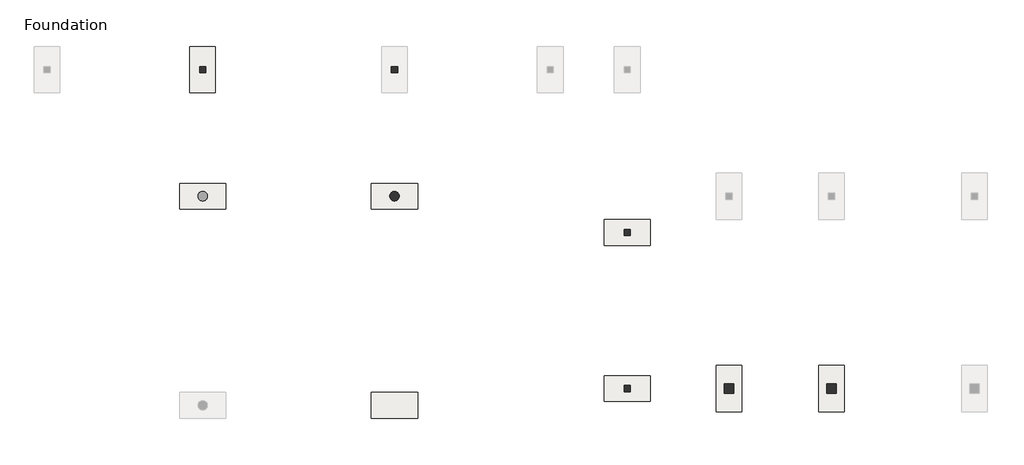
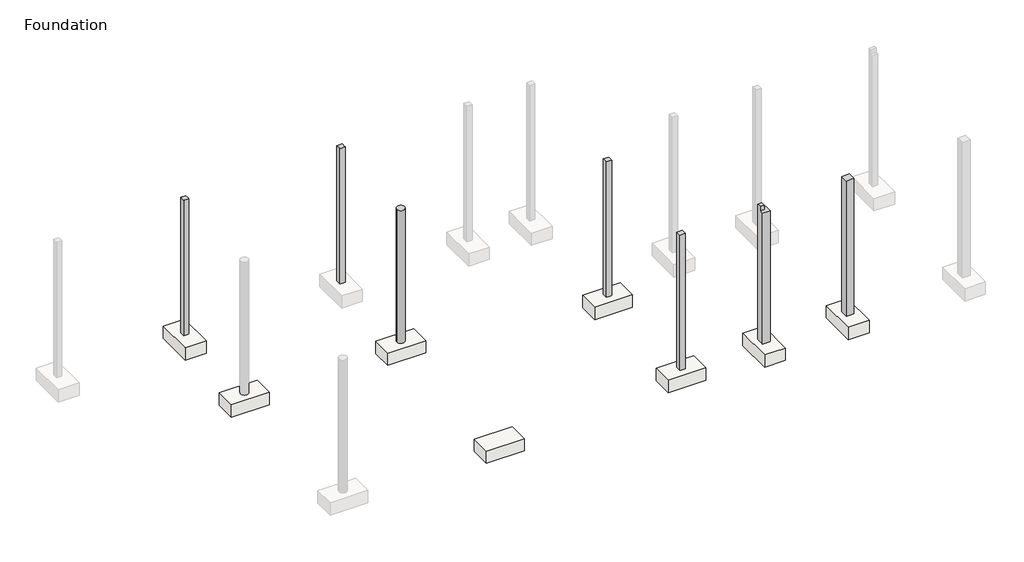
# One storey, part 7 of 10: 8 slabs, 7 columns.
"""IFC4 building model written with IfcOpenShell, lengths in millimetres."""

from ifc_helpers import new_model, si_unit, point, frame, frame_2d, origin, place, context, project, spatial, polyline, circle_curve, trimmed, segment, composite_curve, outline, extrude, faceted_brep, element, save
from ifc_brep_helpers import plane_surface, revolved_surface, advanced_brep

model = new_model("IFC4")

# Units and contexts
model_context = context("Model", 3, world=origin())
ifc_project = project(units=[si_unit("LENGTHUNIT", "METRE", prefix="MILLI")], contexts=[model_context])

# Site, building, storey
site = spatial("IfcSite", under=ifc_project)
building = spatial("IfcBuilding", under=site)
storey = spatial("IfcBuildingStorey", under=building, Name="Foundation", Elevation=-1600.0)

# Columns
placement = place(None, origin())
element("IfcColumn", 1, ObjectType="Concrete Round : 300 mm", at=placement, inside=storey, context=model_context, shape_type="SweptSolid", body=[
    extrude(outline(composite_curve([segment(trimmed(circle_curve(frame_2d((-15307.5749186, -6089.7248986)), 150.0), [point((-15457.5749186, -6089.7248986))], [point((-15157.5749186, -6089.7248986))], False, "CARTESIAN"), True, "CONTINUOUS"), segment(trimmed(circle_curve(frame_2d((-15307.5749186, -6089.7248986)), 150.0), [point((-15157.5749186, -6089.7248986))], [point((-15457.5749186, -6089.7248986))], False, "CARTESIAN"), True, "CONTINUOUS")], self_intersect=False)), frame((0.0, 0.0, -1600.0), z_axis=(0.0, 0.0, 1.0), x_axis=(1.0, 0.0, 0.0)), (0.0, 0.0, 1.0), 5394.6349541),
])
element("IfcColumn", 2, ObjectType="Concrete-Rectangular-Column : C 20/20", at=placement, inside=storey, context=model_context, shape_type="Brep", body=[
    faceted_brep([(-7925.0749186, -12019.7248986, -1600.0), (-7925.0749186, -12219.7248986, -1600.0), (-8125.0749186, -12219.7248986, -1600.0), (-8125.0749186, -12019.7248986, -1600.0), (-7925.0749186, -12219.7248986, 3900.0), (-8125.0749186, -12219.7248986, 3900.0), (-8125.0749186, -12219.7248986, 3400.0), (-8125.0749186, -12219.7248986, -100.0), (-8125.0749186, -12219.7248986, -550.0), (-7925.0749186, -12219.7248986, -550.0), (-7925.0749186, -12219.7248986, -100.0), (-7925.0749186, -12219.7248986, 3400.0), (-7925.0749186, -12019.7248986, 3900.0), (-7925.0749186, -12019.7248986, -550.0), (-7925.0749186, -12019.7248986, -100.0), (-7925.0749186, -12019.7248986, 3400.0), (-8125.0749186, -12019.7248986, 3900.0), (-8125.0749186, -12019.7248986, 3400.0), (-8125.0749186, -12019.7248986, -100.0), (-8125.0749186, -12019.7248986, -550.0)], [[[0, 1, 2, 3]], [[4, 5, 6, 7, 8, 2, 1, 9, 10, 11]], [[12, 4, 11, 10, 9, 1, 0, 13, 14, 15]], [[5, 16, 17, 18, 19, 3, 2, 8, 7, 6]], [[16, 12, 15, 14, 13, 0, 3, 19, 18, 17]], [[12, 16, 5, 4]]]),
])
element("IfcColumn", 3, ObjectType="Concrete-Rectangular-Column : C 20/20", at=placement, inside=storey, context=model_context, shape_type="Brep", body=[
    faceted_brep([(-7925.0749186, -7125.9748986, -1600.0), (-7925.0749186, -7325.9748986, -1600.0), (-8125.0749186, -7325.9748986, -1600.0), (-8125.0749186, -7125.9748986, -1600.0), (-7925.0749186, -7325.9748986, 3900.0), (-8125.0749186, -7325.9748986, 3900.0), (-8125.0749186, -7325.9748986, 3400.0), (-8125.0749186, -7325.9748986, -100.0), (-8125.0749186, -7325.9748986, -550.0), (-7925.0749186, -7325.9748986, -550.0), (-7925.0749186, -7325.9748986, -100.0), (-7925.0749186, -7325.9748986, 3400.0), (-7925.0749186, -7125.9748986, 3900.0), (-7925.0749186, -7125.9748986, -550.0), (-7925.0749186, -7125.9748986, -100.0), (-7925.0749186, -7125.9748986, 3400.0), (-8125.0749186, -7125.9748986, 3900.0), (-8125.0749186, -7125.9748986, 3400.0), (-8125.0749186, -7125.9748986, -100.0), (-8125.0749186, -7125.9748986, -550.0)], [[[0, 1, 2, 3]], [[4, 5, 6, 7, 8, 2, 1, 9, 10, 11]], [[12, 4, 11, 10, 9, 1, 0, 13, 14, 15]], [[5, 16, 17, 18, 19, 3, 2, 8, 7, 6]], [[16, 12, 15, 14, 13, 0, 3, 19, 18, 17]], [[12, 16, 5, 4]]]),
])
element("IfcColumn", 4, ObjectType="Concrete-Rectangular-Column : C 20/20", at=placement, inside=storey, context=model_context, shape_type="Brep", body=[
    faceted_brep([(-15207.5749186, -2024.7248986, -1600.0), (-15207.5749186, -2224.7248986, -1600.0), (-15407.5749186, -2224.7248986, -1600.0), (-15407.5749186, -2024.7248986, -1600.0), (-15207.5749186, -2224.7248986, 3900.0), (-15407.5749186, -2224.7248986, 3900.0), (-15407.5749186, -2224.7248986, 3250.0), (-15407.5749186, -2224.7248986, -100.0), (-15407.5749186, -2224.7248986, -550.0), (-15207.5749186, -2224.7248986, -550.0), (-15207.5749186, -2224.7248986, -100.0), (-15207.5749186, -2224.7248986, 3250.0), (-15207.5749186, -2024.7248986, 3900.0), (-15207.5749186, -2174.7248986, 3900.0), (-15207.5749186, -2024.7248986, -550.0), (-15207.5749186, -2024.7248986, -100.0), (-15207.5749186, -2024.7248986, 3400.0), (-15407.5749186, -2174.7248986, 3900.0), (-15407.5749186, -2024.7248986, 3900.0), (-15407.5749186, -2024.7248986, 3400.0), (-15407.5749186, -2024.7248986, -100.0), (-15407.5749186, -2024.7248986, -550.0)], [[[0, 1, 2, 3]], [[4, 5, 6, 7, 8, 2, 1, 9, 10, 11]], [[12, 13, 4, 11, 10, 9, 1, 0, 14, 15, 16]], [[5, 17, 18, 19, 20, 21, 3, 2, 8, 7, 6]], [[18, 12, 16, 15, 14, 0, 3, 21, 20, 19]], [[12, 18, 17, 5, 4, 13]]]),
])
element("IfcColumn", 5, ObjectType="Concrete-Rectangular-Column : C 20/20", at=placement, inside=storey, context=model_context, shape_type="Brep", body=[
    faceted_brep([(-21207.5749186, -2024.7248986, -1600.0), (-21207.5749186, -2224.7248986, -1600.0), (-21407.5749186, -2224.7248986, -1600.0), (-21407.5749186, -2024.7248986, -1600.0), (-21207.5749186, -2224.7248986, 3900.0), (-21407.5749186, -2224.7248986, 3900.0), (-21407.5749186, -2224.7248986, 3250.0), (-21407.5749186, -2224.7248986, -100.0), (-21407.5749186, -2224.7248986, -550.0), (-21207.5749186, -2224.7248986, -550.0), (-21207.5749186, -2224.7248986, -100.0), (-21207.5749186, -2224.7248986, 3250.0), (-21207.5749186, -2024.7248986, 3900.0), (-21207.5749186, -2174.7248986, 3900.0), (-21207.5749186, -2024.7248986, -550.0), (-21207.5749186, -2024.7248986, -100.0), (-21207.5749186, -2024.7248986, 3400.0), (-21407.5749186, -2174.7248986, 3900.0), (-21407.5749186, -2024.7248986, 3900.0), (-21407.5749186, -2024.7248986, 3400.0), (-21407.5749186, -2024.7248986, -100.0), (-21407.5749186, -2024.7248986, -550.0)], [[[0, 1, 2, 3]], [[4, 5, 6, 7, 8, 2, 1, 9, 10, 11]], [[12, 13, 4, 11, 10, 9, 1, 0, 14, 15, 16]], [[5, 17, 18, 19, 20, 21, 3, 2, 8, 7, 6]], [[18, 12, 16, 15, 14, 0, 3, 21, 20, 19]], [[12, 18, 17, 5, 4, 13]]]),
])
element("IfcColumn", 6, ObjectType="Concrete-Rectangular-Column : C 30/30", at=placement, inside=storey, context=model_context, shape_type="Brep", body=[
    faceted_brep([(-1777.5749186, -11969.7248986, -1600.0), (-1477.5749186, -11969.7248986, -1600.0), (-1477.5749186, -12269.7248986, -1600.0), (-1777.5749186, -12269.7248986, -1600.0), (-1777.5749186, -12269.7248986, 3900.0), (-1777.5749186, -12269.7248986, 3720.0), (-1777.5749186, -12269.7248986, -100.0), (-1777.5749186, -12269.7248986, -550.0), (-1477.5749186, -12269.7248986, -550.0), (-1477.5749186, -12269.7248986, -100.0), (-1477.5749186, -12269.7248986, 3720.0), (-1477.5749186, -12269.7248986, 3900.0), (-1527.5749186, -12269.7248986, 3900.0), (-1727.5749186, -12269.7248986, 3900.0), (-1777.5749186, -11969.7248986, 3900.0), (-1777.5749186, -11969.7248986, 3720.0), (-1777.5749186, -11969.7248986, -100.0), (-1777.5749186, -11969.7248986, -550.0), (-1777.5749186, -12219.7248986, 3900.0), (-1777.5749186, -12019.7248986, 3900.0), (-1477.5749186, -11969.7248986, -550.0), (-1477.5749186, -11969.7248986, -100.0), (-1477.5749186, -11969.7248986, 3720.0), (-1477.5749186, -11969.7248986, 3900.0), (-1477.5749186, -12019.7248986, 3900.0), (-1477.5749186, -12219.7248986, 3900.0), (-1727.5749186, -11969.7248986, 3900.0), (-1527.5749186, -11969.7248986, 3900.0)], [[[0, 1, 2, 3]], [[4, 5, 6, 7, 3, 2, 8, 9, 10, 11, 12, 13]], [[14, 15, 16, 17, 0, 3, 7, 6, 5, 4, 18, 19]], [[11, 10, 9, 8, 2, 1, 20, 21, 22, 23, 24, 25]], [[23, 22, 21, 20, 1, 0, 17, 16, 15, 14, 26, 27]], [[14, 19, 18, 4, 13, 12, 11, 25, 24, 23, 27, 26]]]),
])
element("IfcColumn", 7, ObjectType="Concrete-Rectangular-Column : C 30/30", at=placement, inside=storey, context=model_context, shape_type="Brep", body=[
    faceted_brep([(-4987.5749186, -12269.7248986, -1600.0), (-4987.5749186, -11969.7248986, -1600.0), (-4687.5749186, -11969.7248986, -1600.0), (-4687.5749186, -12269.7248986, -1600.0), (-4687.5749186, -12269.7248986, -550.0), (-4687.5749186, -12269.7248986, -100.0), (-4687.5749186, -12269.7248986, 3720.0), (-4987.5749186, -12269.7248986, 3720.0), (-4987.5749186, -12269.7248986, -100.0), (-4987.5749186, -12269.7248986, -550.0), (-4987.5749186, -12119.7248986, 3720.0), (-4987.5749186, -12119.7248986, 3900.0), (-4987.5749186, -12019.7248986, 3900.0), (-4987.5749186, -11969.7248986, 3900.0), (-4987.5749186, -11969.7248986, -100.0), (-4987.5749186, -11969.7248986, -550.0), (-4687.5749186, -11969.7248986, -550.0), (-4687.5749186, -11969.7248986, -100.0), (-4687.5749186, -11969.7248986, 3720.0), (-4837.5749186, -11969.7248986, 3900.0), (-4837.5749186, -11969.7248986, 3720.0), (-4837.5749186, -12119.7248986, 3900.0), (-4837.5749186, -12119.7248986, 3720.0)], [[[0, 1, 2, 3]], [[0, 3, 4, 5, 6, 7, 8, 9]], [[1, 0, 9, 8, 7, 10, 11, 12, 13, 14, 15]], [[3, 2, 16, 17, 18, 6, 5, 4]], [[2, 1, 15, 14, 13, 19, 20, 18, 17, 16]], [[19, 13, 12, 11, 21]], [[20, 22, 10, 7, 6, 18]], [[22, 20, 19, 21]], [[10, 22, 21, 11]]]),
])

# Slabs
element("IfcSlab", 8, ObjectType="Pile Cap for 2 Piles : Type 1", at=placement, inside=storey, context=model_context, shape_type="AdvancedBrep", body=[
    advanced_brep(
    [(-16032.5749186, -12239.7248986, -1600.0), (-16032.5749186, -13039.7248986, -1600.0), (-14582.5749186, -13039.7248986, -1600.0), (-14582.5749186, -12239.7248986, -1600.0), (-16032.5749186, -12239.7248986, -2100.0), (-14582.5749186, -12239.7248986, -2100.0), (-14582.5749186, -13039.7248986, -2100.0), (-16032.5749186, -13039.7248986, -2100.0), (-15707.5749186, -12773.058232, -2100.0), (-15707.5749186, -12506.3915653, -2100.0), (-14907.5749186, -12773.058232, -2100.0), (-14907.5749186, -12506.3915653, -2100.0), (-14907.5749186, -12773.058232, -2050.0), (-14907.5749186, -12506.3915653, -2050.0), (-15707.5749186, -12773.058232, -2050.0), (-15707.5749186, -12506.3915653, -2050.0)],
    [
        (0, 1),
        (1, 2),
        (2, 3),
        (3, 0),
        (4, 5),
        (5, 6),
        (6, 7),
        (7, 4),
        (8, 9, circle_curve(frame((-15707.5749186, -12639.7248986, -2100.0), z_axis=(0.0, 0.0, 1.0), x_axis=(0.0, 1.0, 0.0)), 133.3333333)),
        (9, 8, circle_curve(frame((-15707.5749186, -12639.7248986, -2100.0), z_axis=(0.0, 0.0, 1.0), x_axis=(0.0, 1.0, 0.0)), 133.3333333)),
        (10, 11, circle_curve(frame((-14907.5749186, -12639.7248986, -2100.0), z_axis=(0.0, 0.0, 1.0), x_axis=(0.0, 1.0, 0.0)), 133.3333333)),
        (11, 10, circle_curve(frame((-14907.5749186, -12639.7248986, -2100.0), z_axis=(0.0, 0.0, 1.0), x_axis=(0.0, 1.0, 0.0)), 133.3333333)),
        (0, 4),
        (7, 1),
        (6, 2),
        (5, 3),
        (12, 13, circle_curve(frame((-14907.5749186, -12639.7248986, -2050.0), z_axis=(0.0, 0.0, -1.0), x_axis=(0.0, 1.0, 0.0)), 133.3333333)),
        (13, 12, circle_curve(frame((-14907.5749186, -12639.7248986, -2050.0), z_axis=(0.0, 0.0, -1.0), x_axis=(0.0, 1.0, 0.0)), 133.3333333)),
        (8, 14),
        (14, 15, circle_curve(frame((-15707.5749186, -12639.7248986, -2050.0), z_axis=(0.0, 0.0, 1.0), x_axis=(0.0, 1.0, 0.0)), 133.3333333)),
        (15, 9),
        (15, 14, circle_curve(frame((-15707.5749186, -12639.7248986, -2050.0), z_axis=(0.0, 0.0, 1.0), x_axis=(0.0, 1.0, 0.0)), 133.3333333)),
        (10, 12),
        (13, 11),
    ],
    [
        plane_surface(frame((-16032.5749186, -13039.7248986, -1600.0), z_axis=(0.0, 0.0, 1.0), x_axis=(0.0, -1.0, 0.0))),
        plane_surface(frame((-16032.5749186, -13039.7248986, -2100.0), z_axis=(0.0, 0.0, -1.0), x_axis=(0.0, 1.0, 0.0))),
        plane_surface(frame((-16032.5749186, -12239.7248986, -1600.0), z_axis=(-1.0, 0.0, 0.0), x_axis=(0.0, 0.0, -1.0))),
        plane_surface(frame((-16032.5749186, -13039.7248986, -1600.0), z_axis=(0.0, -1.0, 0.0), x_axis=(0.0, 0.0, -1.0))),
        plane_surface(frame((-14582.5749186, -13039.7248986, -1600.0), z_axis=(1.0, 0.0, 0.0), x_axis=(0.0, 0.0, -1.0))),
        plane_surface(frame((-14582.5749186, -12239.7248986, -1600.0), z_axis=(0.0, 1.0, 0.0), x_axis=(0.0, 0.0, -1.0))),
        plane_surface(frame((-15707.5749186, -12506.3915653, -2050.0), z_axis=(0.0, 0.0, -1.0), x_axis=(-1.0, 0.0, 0.0))),
        revolved_surface(polyline([(-15707.5749186, -12506.3915653, -2050.0), (-15707.5749186, -12506.3915653, -2100.0)]), (-15707.5749186, -12639.7248986, -2100.0), (0.0, 0.0, 1.0)),
        revolved_surface(polyline([(-14907.5749186, -12506.3915653, -2050.0), (-14907.5749186, -12506.3915653, -2100.0)]), (-14907.5749186, -12639.7248986, -1600.0), (0.0, 0.0, 1.0)),
    ],
    [
        (0, [[1, 2, 3, 4]]),
        (1, [[5, 6, 7, 8], [9, 10], [11, 12]]),
        (2, [[-1, 13, -8, 14]]),
        (3, [[-2, -14, -7, 15]]),
        (4, [[-3, -15, -6, 16]]),
        (5, [[-4, -16, -5, -13]]),
        (6, [[17, 18]]),
        (7, [[-9, 19, 20, 21]]),
        (7, [[-10, -21, 22, -19]]),
        (8, [[-11, 23, -18, 24]]),
        (8, [[-12, -24, -17, -23]]),
        (6, [[-22, -20]]),
    ],
),
])
element("IfcSlab", 9, ObjectType="Pile Cap for 2 Piles : Type 1", at=placement, inside=storey, context=model_context, shape_type="AdvancedBrep", body=[
    advanced_brep(
    [(-21707.5749186, -2849.7248986, -1600.0), (-20907.5749186, -2849.7248986, -1600.0), (-20907.5749186, -1399.7248986, -1600.0), (-21707.5749186, -1399.7248986, -1600.0), (-21707.5749186, -2849.7248986, -2100.0), (-21707.5749186, -1399.7248986, -2100.0), (-20907.5749186, -1399.7248986, -2100.0), (-20907.5749186, -2849.7248986, -2100.0), (-21174.2415852, -2524.7248986, -2100.0), (-21440.9082519, -2524.7248986, -2100.0), (-21174.2415852, -1724.7248986, -2100.0), (-21440.9082519, -1724.7248986, -2100.0), (-21174.2415852, -1724.7248986, -2050.0), (-21440.9082519, -1724.7248986, -2050.0), (-21174.2415852, -2524.7248986, -2050.0), (-21440.9082519, -2524.7248986, -2050.0)],
    [
        (0, 1),
        (1, 2),
        (2, 3),
        (3, 0),
        (4, 5),
        (5, 6),
        (6, 7),
        (7, 4),
        (8, 9, circle_curve(frame((-21307.5749186, -2524.7248986, -2100.0), z_axis=(0.0, 0.0, 1.0), x_axis=(-1.0, 0.0, 0.0)), 133.3333333)),
        (9, 8, circle_curve(frame((-21307.5749186, -2524.7248986, -2100.0), z_axis=(0.0, 0.0, 1.0), x_axis=(-1.0, 0.0, 0.0)), 133.3333333)),
        (10, 11, circle_curve(frame((-21307.5749186, -1724.7248986, -2100.0), z_axis=(0.0, 0.0, 1.0), x_axis=(-1.0, 0.0, 0.0)), 133.3333333)),
        (11, 10, circle_curve(frame((-21307.5749186, -1724.7248986, -2100.0), z_axis=(0.0, 0.0, 1.0), x_axis=(-1.0, 0.0, 0.0)), 133.3333333)),
        (0, 4),
        (7, 1),
        (6, 2),
        (5, 3),
        (12, 13, circle_curve(frame((-21307.5749186, -1724.7248986, -2050.0), z_axis=(0.0, 0.0, -1.0), x_axis=(-1.0, 0.0, 0.0)), 133.3333333)),
        (13, 12, circle_curve(frame((-21307.5749186, -1724.7248986, -2050.0), z_axis=(0.0, 0.0, -1.0), x_axis=(-1.0, 0.0, 0.0)), 133.3333333)),
        (8, 14),
        (14, 15, circle_curve(frame((-21307.5749186, -2524.7248986, -2050.0), z_axis=(0.0, 0.0, 1.0), x_axis=(-1.0, 0.0, 0.0)), 133.3333333)),
        (15, 9),
        (15, 14, circle_curve(frame((-21307.5749186, -2524.7248986, -2050.0), z_axis=(0.0, 0.0, 1.0), x_axis=(-1.0, 0.0, 0.0)), 133.3333333)),
        (10, 12),
        (13, 11),
    ],
    [
        plane_surface(frame((-20907.5749186, -2849.7248986, -1600.0), z_axis=(0.0, 0.0, 1.0), x_axis=(1.0, 0.0, 0.0))),
        plane_surface(frame((-20907.5749186, -2849.7248986, -2100.0), z_axis=(0.0, 0.0, -1.0), x_axis=(-1.0, 0.0, 0.0))),
        plane_surface(frame((-21707.5749186, -2849.7248986, -1600.0), z_axis=(0.0, -1.0, 0.0), x_axis=(0.0, 0.0, -1.0))),
        plane_surface(frame((-20907.5749186, -2849.7248986, -1600.0), z_axis=(1.0, 0.0, 0.0), x_axis=(0.0, 0.0, -1.0))),
        plane_surface(frame((-20907.5749186, -1399.7248986, -1600.0), z_axis=(0.0, 1.0, 0.0), x_axis=(0.0, 0.0, -1.0))),
        plane_surface(frame((-21707.5749186, -1399.7248986, -1600.0), z_axis=(-1.0, 0.0, 0.0), x_axis=(0.0, 0.0, -1.0))),
        plane_surface(frame((-21440.9082519, -2524.7248986, -2050.0), z_axis=(0.0, 0.0, -1.0), x_axis=(0.0, -1.0, 0.0))),
        revolved_surface(polyline([(-21440.9082519, -2524.7248986, -2050.0), (-21440.9082519, -2524.7248986, -2100.0)]), (-21307.5749186, -2524.7248986, -2100.0), (0.0, 0.0, 1.0)),
        revolved_surface(polyline([(-21440.9082519, -1724.7248986, -2050.0), (-21440.9082519, -1724.7248986, -2100.0)]), (-21307.5749186, -1724.7248986, -1600.0), (0.0, 0.0, 1.0)),
    ],
    [
        (0, [[1, 2, 3, 4]]),
        (1, [[5, 6, 7, 8], [9, 10], [11, 12]]),
        (2, [[-1, 13, -8, 14]]),
        (3, [[-2, -14, -7, 15]]),
        (4, [[-3, -15, -6, 16]]),
        (5, [[-4, -16, -5, -13]]),
        (6, [[17, 18]]),
        (7, [[-9, 19, 20, 21]]),
        (7, [[-10, -21, 22, -19]]),
        (8, [[-11, 23, -18, 24]]),
        (8, [[-12, -24, -17, -23]]),
        (6, [[-22, -20]]),
    ],
),
])
element("IfcSlab", 10, ObjectType="Pile Cap for 2 Piles : Type 1", at=placement, inside=storey, context=model_context, shape_type="AdvancedBrep", body=[
    advanced_brep(
    [(-22032.5749186, -5689.7248986, -1600.0), (-22032.5749186, -6489.7248986, -1600.0), (-20582.5749186, -6489.7248986, -1600.0), (-20582.5749186, -5689.7248986, -1600.0), (-22032.5749186, -5689.7248986, -2100.0), (-20582.5749186, -5689.7248986, -2100.0), (-20582.5749186, -6489.7248986, -2100.0), (-22032.5749186, -6489.7248986, -2100.0), (-21707.5749186, -6223.058232, -2100.0), (-21707.5749186, -5956.3915653, -2100.0), (-20907.5749186, -6223.058232, -2100.0), (-20907.5749186, -5956.3915653, -2100.0), (-20907.5749186, -6223.058232, -2050.0), (-20907.5749186, -5956.3915653, -2050.0), (-21707.5749186, -6223.058232, -2050.0), (-21707.5749186, -5956.3915653, -2050.0)],
    [
        (0, 1),
        (1, 2),
        (2, 3),
        (3, 0),
        (4, 5),
        (5, 6),
        (6, 7),
        (7, 4),
        (8, 9, circle_curve(frame((-21707.5749186, -6089.7248986, -2100.0), z_axis=(0.0, 0.0, 1.0), x_axis=(0.0, 1.0, 0.0)), 133.3333333)),
        (9, 8, circle_curve(frame((-21707.5749186, -6089.7248986, -2100.0), z_axis=(0.0, 0.0, 1.0), x_axis=(0.0, 1.0, 0.0)), 133.3333333)),
        (10, 11, circle_curve(frame((-20907.5749186, -6089.7248986, -2100.0), z_axis=(0.0, 0.0, 1.0), x_axis=(0.0, 1.0, 0.0)), 133.3333333)),
        (11, 10, circle_curve(frame((-20907.5749186, -6089.7248986, -2100.0), z_axis=(0.0, 0.0, 1.0), x_axis=(0.0, 1.0, 0.0)), 133.3333333)),
        (0, 4),
        (7, 1),
        (6, 2),
        (5, 3),
        (12, 13, circle_curve(frame((-20907.5749186, -6089.7248986, -2050.0), z_axis=(0.0, 0.0, -1.0), x_axis=(0.0, 1.0, 0.0)), 133.3333333)),
        (13, 12, circle_curve(frame((-20907.5749186, -6089.7248986, -2050.0), z_axis=(0.0, 0.0, -1.0), x_axis=(0.0, 1.0, 0.0)), 133.3333333)),
        (8, 14),
        (14, 15, circle_curve(frame((-21707.5749186, -6089.7248986, -2050.0), z_axis=(0.0, 0.0, 1.0), x_axis=(0.0, 1.0, 0.0)), 133.3333333)),
        (15, 9),
        (15, 14, circle_curve(frame((-21707.5749186, -6089.7248986, -2050.0), z_axis=(0.0, 0.0, 1.0), x_axis=(0.0, 1.0, 0.0)), 133.3333333)),
        (10, 12),
        (13, 11),
    ],
    [
        plane_surface(frame((-22032.5749186, -6489.7248986, -1600.0), z_axis=(0.0, 0.0, 1.0), x_axis=(0.0, -1.0, 0.0))),
        plane_surface(frame((-22032.5749186, -6489.7248986, -2100.0), z_axis=(0.0, 0.0, -1.0), x_axis=(0.0, 1.0, 0.0))),
        plane_surface(frame((-22032.5749186, -5689.7248986, -1600.0), z_axis=(-1.0, 0.0, 0.0), x_axis=(0.0, 0.0, -1.0))),
        plane_surface(frame((-22032.5749186, -6489.7248986, -1600.0), z_axis=(0.0, -1.0, 0.0), x_axis=(0.0, 0.0, -1.0))),
        plane_surface(frame((-20582.5749186, -6489.7248986, -1600.0), z_axis=(1.0, 0.0, 0.0), x_axis=(0.0, 0.0, -1.0))),
        plane_surface(frame((-20582.5749186, -5689.7248986, -1600.0), z_axis=(0.0, 1.0, 0.0), x_axis=(0.0, 0.0, -1.0))),
        plane_surface(frame((-21707.5749186, -5956.3915653, -2050.0), z_axis=(0.0, 0.0, -1.0), x_axis=(-1.0, 0.0, 0.0))),
        revolved_surface(polyline([(-21707.5749186, -5956.3915653, -2050.0), (-21707.5749186, -5956.3915653, -2100.0)]), (-21707.5749186, -6089.7248986, -2100.0), (0.0, 0.0, 1.0)),
        revolved_surface(polyline([(-20907.5749186, -5956.3915653, -2050.0), (-20907.5749186, -5956.3915653, -2100.0)]), (-20907.5749186, -6089.7248986, -1600.0), (0.0, 0.0, 1.0)),
    ],
    [
        (0, [[1, 2, 3, 4]]),
        (1, [[5, 6, 7, 8], [9, 10], [11, 12]]),
        (2, [[-1, 13, -8, 14]]),
        (3, [[-2, -14, -7, 15]]),
        (4, [[-3, -15, -6, 16]]),
        (5, [[-4, -16, -5, -13]]),
        (6, [[17, 18]]),
        (7, [[-9, 19, 20, 21]]),
        (7, [[-10, -21, 22, -19]]),
        (8, [[-11, 23, -18, 24]]),
        (8, [[-12, -24, -17, -23]]),
        (6, [[-22, -20]]),
    ],
),
])
element("IfcSlab", 11, ObjectType="Pile Cap for 2 Piles : Type 1", at=placement, inside=storey, context=model_context, shape_type="AdvancedBrep", body=[
    advanced_brep(
    [(-16032.5749186, -5689.7248986, -1600.0), (-16032.5749186, -6489.7248986, -1600.0), (-14582.5749186, -6489.7248986, -1600.0), (-14582.5749186, -5689.7248986, -1600.0), (-16032.5749186, -5689.7248986, -2100.0), (-14582.5749186, -5689.7248986, -2100.0), (-14582.5749186, -6489.7248986, -2100.0), (-16032.5749186, -6489.7248986, -2100.0), (-15707.5749186, -6223.058232, -2100.0), (-15707.5749186, -5956.3915653, -2100.0), (-14907.5749186, -6223.058232, -2100.0), (-14907.5749186, -5956.3915653, -2100.0), (-14907.5749186, -6223.058232, -2050.0), (-14907.5749186, -5956.3915653, -2050.0), (-15707.5749186, -6223.058232, -2050.0), (-15707.5749186, -5956.3915653, -2050.0)],
    [
        (0, 1),
        (1, 2),
        (2, 3),
        (3, 0),
        (4, 5),
        (5, 6),
        (6, 7),
        (7, 4),
        (8, 9, circle_curve(frame((-15707.5749186, -6089.7248986, -2100.0), z_axis=(0.0, 0.0, 1.0), x_axis=(0.0, 1.0, 0.0)), 133.3333333)),
        (9, 8, circle_curve(frame((-15707.5749186, -6089.7248986, -2100.0), z_axis=(0.0, 0.0, 1.0), x_axis=(0.0, 1.0, 0.0)), 133.3333333)),
        (10, 11, circle_curve(frame((-14907.5749186, -6089.7248986, -2100.0), z_axis=(0.0, 0.0, 1.0), x_axis=(0.0, 1.0, 0.0)), 133.3333333)),
        (11, 10, circle_curve(frame((-14907.5749186, -6089.7248986, -2100.0), z_axis=(0.0, 0.0, 1.0), x_axis=(0.0, 1.0, 0.0)), 133.3333333)),
        (0, 4),
        (7, 1),
        (6, 2),
        (5, 3),
        (12, 13, circle_curve(frame((-14907.5749186, -6089.7248986, -2050.0), z_axis=(0.0, 0.0, -1.0), x_axis=(0.0, 1.0, 0.0)), 133.3333333)),
        (13, 12, circle_curve(frame((-14907.5749186, -6089.7248986, -2050.0), z_axis=(0.0, 0.0, -1.0), x_axis=(0.0, 1.0, 0.0)), 133.3333333)),
        (8, 14),
        (14, 15, circle_curve(frame((-15707.5749186, -6089.7248986, -2050.0), z_axis=(0.0, 0.0, 1.0), x_axis=(0.0, 1.0, 0.0)), 133.3333333)),
        (15, 9),
        (15, 14, circle_curve(frame((-15707.5749186, -6089.7248986, -2050.0), z_axis=(0.0, 0.0, 1.0), x_axis=(0.0, 1.0, 0.0)), 133.3333333)),
        (10, 12),
        (13, 11),
    ],
    [
        plane_surface(frame((-16032.5749186, -6489.7248986, -1600.0), z_axis=(0.0, 0.0, 1.0), x_axis=(0.0, -1.0, 0.0))),
        plane_surface(frame((-16032.5749186, -6489.7248986, -2100.0), z_axis=(0.0, 0.0, -1.0), x_axis=(0.0, 1.0, 0.0))),
        plane_surface(frame((-16032.5749186, -5689.7248986, -1600.0), z_axis=(-1.0, 0.0, 0.0), x_axis=(0.0, 0.0, -1.0))),
        plane_surface(frame((-16032.5749186, -6489.7248986, -1600.0), z_axis=(0.0, -1.0, 0.0), x_axis=(0.0, 0.0, -1.0))),
        plane_surface(frame((-14582.5749186, -6489.7248986, -1600.0), z_axis=(1.0, 0.0, 0.0), x_axis=(0.0, 0.0, -1.0))),
        plane_surface(frame((-14582.5749186, -5689.7248986, -1600.0), z_axis=(0.0, 1.0, 0.0), x_axis=(0.0, 0.0, -1.0))),
        plane_surface(frame((-15707.5749186, -5956.3915653, -2050.0), z_axis=(0.0, 0.0, -1.0), x_axis=(-1.0, 0.0, 0.0))),
        revolved_surface(polyline([(-15707.5749186, -5956.3915653, -2050.0), (-15707.5749186, -5956.3915653, -2100.0)]), (-15707.5749186, -6089.7248986, -2100.0), (0.0, 0.0, 1.0)),
        revolved_surface(polyline([(-14907.5749186, -5956.3915653, -2050.0), (-14907.5749186, -5956.3915653, -2100.0)]), (-14907.5749186, -6089.7248986, -1600.0), (0.0, 0.0, 1.0)),
    ],
    [
        (0, [[1, 2, 3, 4]]),
        (1, [[5, 6, 7, 8], [9, 10], [11, 12]]),
        (2, [[-1, 13, -8, 14]]),
        (3, [[-2, -14, -7, 15]]),
        (4, [[-3, -15, -6, 16]]),
        (5, [[-4, -16, -5, -13]]),
        (6, [[17, 18]]),
        (7, [[-9, 19, 20, 21]]),
        (7, [[-10, -21, 22, -19]]),
        (8, [[-11, 23, -18, 24]]),
        (8, [[-12, -24, -17, -23]]),
        (6, [[-22, -20]]),
    ],
),
])
element("IfcSlab", 12, ObjectType="Pile Cap for 2 Piles : Type 1", at=placement, inside=storey, context=model_context, shape_type="AdvancedBrep", body=[
    advanced_brep(
    [(-8750.0749186, -6825.9748986, -1600.0), (-8750.0749186, -7625.9748986, -1600.0), (-7300.0749186, -7625.9748986, -1600.0), (-7300.0749186, -6825.9748986, -1600.0), (-8750.0749186, -6825.9748986, -2100.0), (-7300.0749186, -6825.9748986, -2100.0), (-7300.0749186, -7625.9748986, -2100.0), (-8750.0749186, -7625.9748986, -2100.0), (-8425.0749186, -7359.308232, -2100.0), (-8425.0749186, -7092.6415653, -2100.0), (-7625.0749186, -7359.308232, -2100.0), (-7625.0749186, -7092.6415653, -2100.0), (-7625.0749186, -7359.308232, -2050.0), (-7625.0749186, -7092.6415653, -2050.0), (-8425.0749186, -7359.308232, -2050.0), (-8425.0749186, -7092.6415653, -2050.0)],
    [
        (0, 1),
        (1, 2),
        (2, 3),
        (3, 0),
        (4, 5),
        (5, 6),
        (6, 7),
        (7, 4),
        (8, 9, circle_curve(frame((-8425.0749186, -7225.9748986, -2100.0), z_axis=(0.0, 0.0, 1.0), x_axis=(0.0, 1.0, 0.0)), 133.3333333)),
        (9, 8, circle_curve(frame((-8425.0749186, -7225.9748986, -2100.0), z_axis=(0.0, 0.0, 1.0), x_axis=(0.0, 1.0, 0.0)), 133.3333333)),
        (10, 11, circle_curve(frame((-7625.0749186, -7225.9748986, -2100.0), z_axis=(0.0, 0.0, 1.0), x_axis=(0.0, 1.0, 0.0)), 133.3333333)),
        (11, 10, circle_curve(frame((-7625.0749186, -7225.9748986, -2100.0), z_axis=(0.0, 0.0, 1.0), x_axis=(0.0, 1.0, 0.0)), 133.3333333)),
        (0, 4),
        (7, 1),
        (6, 2),
        (5, 3),
        (12, 13, circle_curve(frame((-7625.0749186, -7225.9748986, -2050.0), z_axis=(0.0, 0.0, -1.0), x_axis=(0.0, 1.0, 0.0)), 133.3333333)),
        (13, 12, circle_curve(frame((-7625.0749186, -7225.9748986, -2050.0), z_axis=(0.0, 0.0, -1.0), x_axis=(0.0, 1.0, 0.0)), 133.3333333)),
        (8, 14),
        (14, 15, circle_curve(frame((-8425.0749186, -7225.9748986, -2050.0), z_axis=(0.0, 0.0, 1.0), x_axis=(0.0, 1.0, 0.0)), 133.3333333)),
        (15, 9),
        (15, 14, circle_curve(frame((-8425.0749186, -7225.9748986, -2050.0), z_axis=(0.0, 0.0, 1.0), x_axis=(0.0, 1.0, 0.0)), 133.3333333)),
        (10, 12),
        (13, 11),
    ],
    [
        plane_surface(frame((-8750.0749186, -7625.9748986, -1600.0), z_axis=(0.0, 0.0, 1.0), x_axis=(0.0, -1.0, 0.0))),
        plane_surface(frame((-8750.0749186, -7625.9748986, -2100.0), z_axis=(0.0, 0.0, -1.0), x_axis=(0.0, 1.0, 0.0))),
        plane_surface(frame((-8750.0749186, -6825.9748986, -1600.0), z_axis=(-1.0, 0.0, 0.0), x_axis=(0.0, 0.0, -1.0))),
        plane_surface(frame((-8750.0749186, -7625.9748986, -1600.0), z_axis=(0.0, -1.0, 0.0), x_axis=(0.0, 0.0, -1.0))),
        plane_surface(frame((-7300.0749186, -7625.9748986, -1600.0), z_axis=(1.0, 0.0, 0.0), x_axis=(0.0, 0.0, -1.0))),
        plane_surface(frame((-7300.0749186, -6825.9748986, -1600.0), z_axis=(0.0, 1.0, 0.0), x_axis=(0.0, 0.0, -1.0))),
        plane_surface(frame((-8425.0749186, -7092.6415653, -2050.0), z_axis=(0.0, 0.0, -1.0), x_axis=(-1.0, 0.0, 0.0))),
        revolved_surface(polyline([(-8425.0749186, -7092.6415653, -2050.0), (-8425.0749186, -7092.6415653, -2100.0)]), (-8425.0749186, -7225.9748986, -2100.0), (0.0, 0.0, 1.0)),
        revolved_surface(polyline([(-7625.0749186, -7092.6415653, -2050.0), (-7625.0749186, -7092.6415653, -2100.0)]), (-7625.0749186, -7225.9748986, -1600.0), (0.0, 0.0, 1.0)),
    ],
    [
        (0, [[1, 2, 3, 4]]),
        (1, [[5, 6, 7, 8], [9, 10], [11, 12]]),
        (2, [[-1, 13, -8, 14]]),
        (3, [[-2, -14, -7, 15]]),
        (4, [[-3, -15, -6, 16]]),
        (5, [[-4, -16, -5, -13]]),
        (6, [[17, 18]]),
        (7, [[-9, 19, 20, 21]]),
        (7, [[-10, -21, 22, -19]]),
        (8, [[-11, 23, -18, 24]]),
        (8, [[-12, -24, -17, -23]]),
        (6, [[-22, -20]]),
    ],
),
])
element("IfcSlab", 13, ObjectType="Pile Cap for 2 Piles : Type 1", at=placement, inside=storey, context=model_context, shape_type="AdvancedBrep", body=[
    advanced_brep(
    [(-8750.0749186, -11719.7248986, -1600.0), (-8750.0749186, -12519.7248986, -1600.0), (-7300.0749186, -12519.7248986, -1600.0), (-7300.0749186, -11719.7248986, -1600.0), (-8750.0749186, -11719.7248986, -2100.0), (-7300.0749186, -11719.7248986, -2100.0), (-7300.0749186, -12519.7248986, -2100.0), (-8750.0749186, -12519.7248986, -2100.0), (-8425.0749186, -12253.058232, -2100.0), (-8425.0749186, -11986.3915653, -2100.0), (-7625.0749186, -12253.058232, -2100.0), (-7625.0749186, -11986.3915653, -2100.0), (-7625.0749186, -12253.058232, -2050.0), (-7625.0749186, -11986.3915653, -2050.0), (-8425.0749186, -12253.058232, -2050.0), (-8425.0749186, -11986.3915653, -2050.0)],
    [
        (0, 1),
        (1, 2),
        (2, 3),
        (3, 0),
        (4, 5),
        (5, 6),
        (6, 7),
        (7, 4),
        (8, 9, circle_curve(frame((-8425.0749186, -12119.7248986, -2100.0), z_axis=(0.0, 0.0, 1.0), x_axis=(0.0, 1.0, 0.0)), 133.3333333)),
        (9, 8, circle_curve(frame((-8425.0749186, -12119.7248986, -2100.0), z_axis=(0.0, 0.0, 1.0), x_axis=(0.0, 1.0, 0.0)), 133.3333333)),
        (10, 11, circle_curve(frame((-7625.0749186, -12119.7248986, -2100.0), z_axis=(0.0, 0.0, 1.0), x_axis=(0.0, 1.0, 0.0)), 133.3333333)),
        (11, 10, circle_curve(frame((-7625.0749186, -12119.7248986, -2100.0), z_axis=(0.0, 0.0, 1.0), x_axis=(0.0, 1.0, 0.0)), 133.3333333)),
        (0, 4),
        (7, 1),
        (6, 2),
        (5, 3),
        (12, 13, circle_curve(frame((-7625.0749186, -12119.7248986, -2050.0), z_axis=(0.0, 0.0, -1.0), x_axis=(0.0, 1.0, 0.0)), 133.3333333)),
        (13, 12, circle_curve(frame((-7625.0749186, -12119.7248986, -2050.0), z_axis=(0.0, 0.0, -1.0), x_axis=(0.0, 1.0, 0.0)), 133.3333333)),
        (8, 14),
        (14, 15, circle_curve(frame((-8425.0749186, -12119.7248986, -2050.0), z_axis=(0.0, 0.0, 1.0), x_axis=(0.0, 1.0, 0.0)), 133.3333333)),
        (15, 9),
        (15, 14, circle_curve(frame((-8425.0749186, -12119.7248986, -2050.0), z_axis=(0.0, 0.0, 1.0), x_axis=(0.0, 1.0, 0.0)), 133.3333333)),
        (10, 12),
        (13, 11),
    ],
    [
        plane_surface(frame((-8750.0749186, -12519.7248986, -1600.0), z_axis=(0.0, 0.0, 1.0), x_axis=(0.0, -1.0, 0.0))),
        plane_surface(frame((-8750.0749186, -12519.7248986, -2100.0), z_axis=(0.0, 0.0, -1.0), x_axis=(0.0, 1.0, 0.0))),
        plane_surface(frame((-8750.0749186, -11719.7248986, -1600.0), z_axis=(-1.0, 0.0, 0.0), x_axis=(0.0, 0.0, -1.0))),
        plane_surface(frame((-8750.0749186, -12519.7248986, -1600.0), z_axis=(0.0, -1.0, 0.0), x_axis=(0.0, 0.0, -1.0))),
        plane_surface(frame((-7300.0749186, -12519.7248986, -1600.0), z_axis=(1.0, 0.0, 0.0), x_axis=(0.0, 0.0, -1.0))),
        plane_surface(frame((-7300.0749186, -11719.7248986, -1600.0), z_axis=(0.0, 1.0, 0.0), x_axis=(0.0, 0.0, -1.0))),
        plane_surface(frame((-8425.0749186, -11986.3915653, -2050.0), z_axis=(0.0, 0.0, -1.0), x_axis=(-1.0, 0.0, 0.0))),
        revolved_surface(polyline([(-8425.0749186, -11986.3915653, -2050.0), (-8425.0749186, -11986.3915653, -2100.0)]), (-8425.0749186, -12119.7248986, -2100.0), (0.0, 0.0, 1.0)),
        revolved_surface(polyline([(-7625.0749186, -11986.3915653, -2050.0), (-7625.0749186, -11986.3915653, -2100.0)]), (-7625.0749186, -12119.7248986, -1600.0), (0.0, 0.0, 1.0)),
    ],
    [
        (0, [[1, 2, 3, 4]]),
        (1, [[5, 6, 7, 8], [9, 10], [11, 12]]),
        (2, [[-1, 13, -8, 14]]),
        (3, [[-2, -14, -7, 15]]),
        (4, [[-3, -15, -6, 16]]),
        (5, [[-4, -16, -5, -13]]),
        (6, [[17, 18]]),
        (7, [[-9, 19, 20, 21]]),
        (7, [[-10, -21, 22, -19]]),
        (8, [[-11, 23, -18, 24]]),
        (8, [[-12, -24, -17, -23]]),
        (6, [[-22, -20]]),
    ],
),
])
element("IfcSlab", 14, ObjectType="Pile Cap for 2 Piles : Type 1", at=placement, inside=storey, context=model_context, shape_type="AdvancedBrep", body=[
    advanced_brep(
    [(-2027.5749186, -12844.7248986, -1600.0), (-1227.5749186, -12844.7248986, -1600.0), (-1227.5749186, -11394.7248986, -1600.0), (-2027.5749186, -11394.7248986, -1600.0), (-1227.5749186, -11394.7248986, -2100.0), (-1227.5749186, -12844.7248986, -2100.0), (-2027.5749186, -12844.7248986, -2100.0), (-2027.5749186, -11394.7248986, -2100.0), (-1494.2415852, -12519.7248986, -2100.0), (-1760.9082519, -12519.7248986, -2100.0), (-1494.2415852, -11719.7248986, -2100.0), (-1760.9082519, -11719.7248986, -2100.0), (-1494.2415852, -11719.7248986, -2050.0), (-1760.9082519, -11719.7248986, -2050.0), (-1494.2415852, -12519.7248986, -2050.0), (-1760.9082519, -12519.7248986, -2050.0)],
    [
        (0, 1),
        (1, 2),
        (2, 3),
        (3, 0),
        (4, 5),
        (5, 6),
        (6, 7),
        (7, 4),
        (8, 9, circle_curve(frame((-1627.5749186, -12519.7248986, -2100.0), z_axis=(0.0, 0.0, 1.0), x_axis=(1.0, 0.0, 0.0)), 133.3333333)),
        (9, 8, circle_curve(frame((-1627.5749186, -12519.7248986, -2100.0), z_axis=(0.0, 0.0, 1.0), x_axis=(1.0, 0.0, 0.0)), 133.3333333)),
        (10, 11, circle_curve(frame((-1627.5749186, -11719.7248986, -2100.0), z_axis=(0.0, 0.0, 1.0), x_axis=(1.0, 0.0, 0.0)), 133.3333333)),
        (11, 10, circle_curve(frame((-1627.5749186, -11719.7248986, -2100.0), z_axis=(0.0, 0.0, 1.0), x_axis=(1.0, 0.0, 0.0)), 133.3333333)),
        (0, 6),
        (5, 1),
        (3, 7),
        (2, 4),
        (12, 13, circle_curve(frame((-1627.5749186, -11719.7248986, -2050.0), z_axis=(0.0, 0.0, -1.0), x_axis=(1.0, 0.0, 0.0)), 133.3333333)),
        (13, 12, circle_curve(frame((-1627.5749186, -11719.7248986, -2050.0), z_axis=(0.0, 0.0, -1.0), x_axis=(1.0, 0.0, 0.0)), 133.3333333)),
        (8, 14),
        (14, 15, circle_curve(frame((-1627.5749186, -12519.7248986, -2050.0), z_axis=(0.0, 0.0, 1.0), x_axis=(1.0, 0.0, 0.0)), 133.3333333)),
        (15, 9),
        (15, 14, circle_curve(frame((-1627.5749186, -12519.7248986, -2050.0), z_axis=(0.0, 0.0, 1.0), x_axis=(1.0, 0.0, 0.0)), 133.3333333)),
        (10, 12),
        (13, 11),
    ],
    [
        plane_surface(frame((-2027.5749186, -12844.7248986, -1600.0), z_axis=(0.0, 0.0, 1.0), x_axis=(-1.0, 0.0, 0.0))),
        plane_surface(frame((-2027.5749186, -12844.7248986, -2100.0), z_axis=(0.0, 0.0, -1.0), x_axis=(1.0, 0.0, 0.0))),
        plane_surface(frame((-1227.5749186, -12844.7248986, -1600.0), z_axis=(0.0, -1.0, 0.0), x_axis=(0.0, 0.0, -1.0))),
        plane_surface(frame((-2027.5749186, -12844.7248986, -1600.0), z_axis=(-1.0, 0.0, 0.0), x_axis=(0.0, 0.0, -1.0))),
        plane_surface(frame((-2027.5749186, -11394.7248986, -1600.0), z_axis=(0.0, 1.0, 0.0), x_axis=(0.0, 0.0, -1.0))),
        plane_surface(frame((-1227.5749186, -11394.7248986, -1600.0), z_axis=(1.0, 0.0, 0.0), x_axis=(0.0, 0.0, -1.0))),
        plane_surface(frame((-1494.2415852, -12519.7248986, -2050.0), z_axis=(0.0, 0.0, -1.0), x_axis=(0.0, -1.0, 0.0))),
        revolved_surface(polyline([(-1494.2415853, -12519.7248986, -2050.0), (-1494.2415853, -12519.7248986, -2100.0)]), (-1627.5749186, -12519.7248986, -2100.0), (0.0, 0.0, 1.0)),
        revolved_surface(polyline([(-1494.2415853, -11719.7248986, -2050.0), (-1494.2415853, -11719.7248986, -2100.0)]), (-1627.5749186, -11719.7248986, -1600.0), (0.0, 0.0, 1.0)),
    ],
    [
        (0, [[1, 2, 3, 4]]),
        (1, [[5, 6, 7, 8], [9, 10], [11, 12]]),
        (2, [[-1, 13, -6, 14]]),
        (3, [[-4, 15, -7, -13]]),
        (4, [[-3, 16, -8, -15]]),
        (5, [[-2, -14, -5, -16]]),
        (6, [[17, 18]]),
        (7, [[-9, 19, 20, 21]]),
        (7, [[-10, -21, 22, -19]]),
        (8, [[-11, 23, -18, 24]]),
        (8, [[-12, -24, -17, -23]]),
        (6, [[-22, -20]]),
    ],
),
])
element("IfcSlab", 15, ObjectType="Pile Cap for 2 Piles : Type 1", at=placement, inside=storey, context=model_context, shape_type="AdvancedBrep", body=[
    advanced_brep(
    [(-5237.5749186, -12844.7248986, -1600.0), (-4437.5749186, -12844.7248986, -1600.0), (-4437.5749186, -11394.7248986, -1600.0), (-5237.5749186, -11394.7248986, -1600.0), (-4437.5749186, -11394.7248986, -2100.0), (-4437.5749186, -12844.7248986, -2100.0), (-5237.5749186, -12844.7248986, -2100.0), (-5237.5749186, -11394.7248986, -2100.0), (-4704.2415852, -12519.7248986, -2100.0), (-4970.9082519, -12519.7248986, -2100.0), (-4704.2415852, -11719.7248986, -2100.0), (-4970.9082519, -11719.7248986, -2100.0), (-4704.2415852, -11719.7248986, -2050.0), (-4970.9082519, -11719.7248986, -2050.0), (-4704.2415852, -12519.7248986, -2050.0), (-4970.9082519, -12519.7248986, -2050.0)],
    [
        (0, 1),
        (1, 2),
        (2, 3),
        (3, 0),
        (4, 5),
        (5, 6),
        (6, 7),
        (7, 4),
        (8, 9, circle_curve(frame((-4837.5749186, -12519.7248986, -2100.0), z_axis=(0.0, 0.0, 1.0), x_axis=(1.0, 0.0, 0.0)), 133.3333333)),
        (9, 8, circle_curve(frame((-4837.5749186, -12519.7248986, -2100.0), z_axis=(0.0, 0.0, 1.0), x_axis=(1.0, 0.0, 0.0)), 133.3333333)),
        (10, 11, circle_curve(frame((-4837.5749186, -11719.7248986, -2100.0), z_axis=(0.0, 0.0, 1.0), x_axis=(1.0, 0.0, 0.0)), 133.3333333)),
        (11, 10, circle_curve(frame((-4837.5749186, -11719.7248986, -2100.0), z_axis=(0.0, 0.0, 1.0), x_axis=(1.0, 0.0, 0.0)), 133.3333333)),
        (0, 6),
        (5, 1),
        (3, 7),
        (2, 4),
        (12, 13, circle_curve(frame((-4837.5749186, -11719.7248986, -2050.0), z_axis=(0.0, 0.0, -1.0), x_axis=(1.0, 0.0, 0.0)), 133.3333333)),
        (13, 12, circle_curve(frame((-4837.5749186, -11719.7248986, -2050.0), z_axis=(0.0, 0.0, -1.0), x_axis=(1.0, 0.0, 0.0)), 133.3333333)),
        (8, 14),
        (14, 15, circle_curve(frame((-4837.5749186, -12519.7248986, -2050.0), z_axis=(0.0, 0.0, 1.0), x_axis=(1.0, 0.0, 0.0)), 133.3333333)),
        (15, 9),
        (15, 14, circle_curve(frame((-4837.5749186, -12519.7248986, -2050.0), z_axis=(0.0, 0.0, 1.0), x_axis=(1.0, 0.0, 0.0)), 133.3333333)),
        (10, 12),
        (13, 11),
    ],
    [
        plane_surface(frame((-5237.5749186, -12844.7248986, -1600.0), z_axis=(0.0, 0.0, 1.0), x_axis=(-1.0, 0.0, 0.0))),
        plane_surface(frame((-5237.5749186, -12844.7248986, -2100.0), z_axis=(0.0, 0.0, -1.0), x_axis=(1.0, 0.0, 0.0))),
        plane_surface(frame((-4437.5749186, -12844.7248986, -1600.0), z_axis=(0.0, -1.0, 0.0), x_axis=(0.0, 0.0, -1.0))),
        plane_surface(frame((-5237.5749186, -12844.7248986, -1600.0), z_axis=(-1.0, 0.0, 0.0), x_axis=(0.0, 0.0, -1.0))),
        plane_surface(frame((-5237.5749186, -11394.7248986, -1600.0), z_axis=(0.0, 1.0, 0.0), x_axis=(0.0, 0.0, -1.0))),
        plane_surface(frame((-4437.5749186, -11394.7248986, -1600.0), z_axis=(1.0, 0.0, 0.0), x_axis=(0.0, 0.0, -1.0))),
        plane_surface(frame((-4704.2415852, -12519.7248986, -2050.0), z_axis=(0.0, 0.0, -1.0), x_axis=(0.0, -1.0, 0.0))),
        revolved_surface(polyline([(-4704.2415853, -12519.7248986, -2050.0), (-4704.2415853, -12519.7248986, -2100.0)]), (-4837.5749186, -12519.7248986, -2100.0), (0.0, 0.0, 1.0)),
        revolved_surface(polyline([(-4704.2415853, -11719.7248986, -2050.0), (-4704.2415853, -11719.7248986, -2100.0)]), (-4837.5749186, -11719.7248986, -1600.0), (0.0, 0.0, 1.0)),
    ],
    [
        (0, [[1, 2, 3, 4]]),
        (1, [[5, 6, 7, 8], [9, 10], [11, 12]]),
        (2, [[-1, 13, -6, 14]]),
        (3, [[-4, 15, -7, -13]]),
        (4, [[-3, 16, -8, -15]]),
        (5, [[-2, -14, -5, -16]]),
        (6, [[17, 18]]),
        (7, [[-9, 19, 20, 21]]),
        (7, [[-10, -21, 22, -19]]),
        (8, [[-11, 23, -18, 24]]),
        (8, [[-12, -24, -17, -23]]),
        (6, [[-22, -20]]),
    ],
),
])

save(model, "model.ifc")
